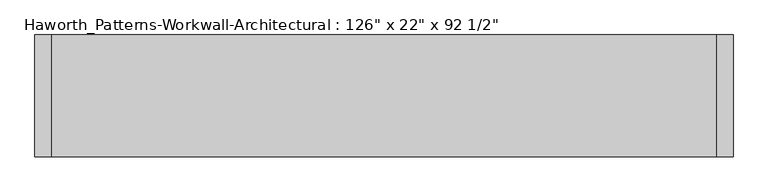
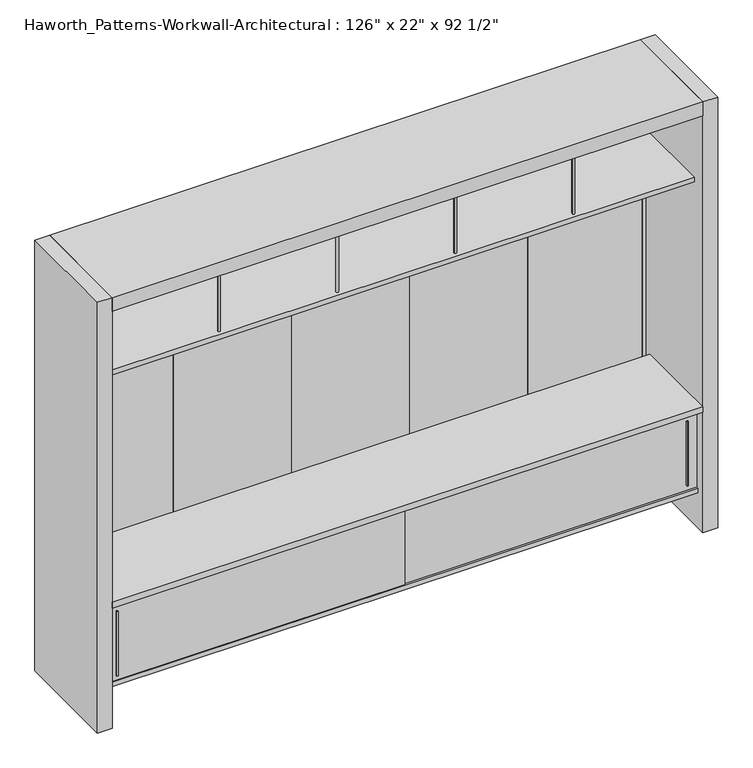
"""IFC4 building model written with IfcOpenShell, lengths in millimetres: furniture geometry."""

from ifc_helpers import new_model, si_unit, point, frame, frame_2d, origin, origin_with_axes, place, context, project, spatial, polyline, circle_curve, trimmed, segment, composite_curve, outline, extrude, source, transform, mapped, element, save


def furniture_2175a9dd(model_context):
    return source(origin(), model_context, "Body", "SweptSolid", [
        extrude(outline(polyline([(-914.4, 333.375), (-1524.0, 333.375), (-1524.0, 352.425), (-914.4, 352.425), (-914.4, 333.375)])), frame((0.0, 0.0, 635.0), z_axis=(0.0, 0.0, 1.0), x_axis=(1.0, 0.0, 0.0)), (0.0, 0.0, 1.0), 1638.3),
        extrude(outline(polyline([(-304.8, 333.375), (-914.4, 333.375), (-914.4, 352.425), (-304.8, 352.425), (-304.8, 333.375)])), frame((0.0, 0.0, 635.0), z_axis=(0.0, 0.0, 1.0), x_axis=(1.0, 0.0, 0.0)), (0.0, 0.0, 1.0), 1638.3),
        extrude(outline(polyline([(304.8, 333.375), (-304.8, 333.375), (-304.8, 352.425), (304.8, 352.425), (304.8, 333.375)])), frame((0.0, 0.0, 635.0), z_axis=(0.0, 0.0, 1.0), x_axis=(1.0, 0.0, 0.0)), (0.0, 0.0, 1.0), 1638.3),
        extrude(outline(polyline([(-1524.0, 333.375), (-2133.6, 333.375), (-2133.6, 352.425), (-1524.0, 352.425), (-1524.0, 333.375)])), frame((0.0, 0.0, 635.0), z_axis=(0.0, 0.0, 1.0), x_axis=(1.0, 0.0, 0.0)), (0.0, 0.0, 1.0), 1638.3),
        extrude(outline(polyline([(914.4, 333.375), (304.8, 333.375), (304.8, 352.425), (914.4, 352.425), (914.4, 333.375)])), frame((0.0, 0.0, 635.0), z_axis=(0.0, 0.0, 1.0), x_axis=(1.0, 0.0, 0.0)), (0.0, 0.0, 1.0), 1638.3),
        extrude(outline(polyline([(866.7750004, -130.1749879), (860.4249996, -130.1749879), (858.8375011, -117.475), (868.3624989, -117.475), (866.7750004, -130.1749879)])), frame((0.0, 0.0, 242.8875), z_axis=(0.0, 0.0, 1.0), x_axis=(1.0, 0.0, 0.0)), (0.0, 0.0, 1.0), 352.425),
        extrude(outline(polyline([(-2079.6249996, -136.5249879), (-2085.9750004, -136.5249879), (-2087.5624989, -123.825), (-2078.0375011, -123.825), (-2079.6249996, -136.5249879)])), frame((0.0, 0.0, 242.8875), z_axis=(0.0, 0.0, 1.0), x_axis=(1.0, 0.0, 0.0)), (0.0, 0.0, 1.0), 352.425),
        extrude(outline(polyline([(914.4, -101.6), (914.4, -133.35), (-2133.6, -133.35), (-2133.6, -101.6), (914.4, -101.6)])), frame((0.0, 0.0, 190.5), z_axis=(0.0, 0.0, 1.0), x_axis=(1.0, 0.0, 0.0)), (0.0, 0.0, 1.0), 25.4),
        extrude(outline(polyline([(914.4, -101.6), (914.4, -133.35), (-2133.6, -133.35), (-2133.6, -101.6), (914.4, -101.6)])), frame((0.0, 0.0, 622.3), z_axis=(0.0, 0.0, 1.0), x_axis=(1.0, 0.0, 0.0)), (0.0, 0.0, 1.0), 25.4),
        extrude(outline(polyline([(-2133.6, -123.825), (-596.9, -123.825), (-596.9, -130.175), (-2133.6, -130.175), (-2133.6, -123.825)])), frame((0.0, 0.0, 215.9), z_axis=(0.0, 0.0, 1.0), x_axis=(1.0, 0.0, 0.0)), (0.0, 0.0, 1.0), 406.4),
        extrude(outline(polyline([(-622.3, -117.475), (914.4, -117.475), (914.4, -123.825), (-622.3, -123.825), (-622.3, -117.475)])), frame((0.0, 0.0, 215.9), z_axis=(0.0, 0.0, 1.0), x_axis=(1.0, 0.0, 0.0)), (0.0, 0.0, 1.0), 406.4),
        extrude(outline(polyline([(-295.275, -101.6), (-314.325, -101.6), (-314.325, 330.2), (-295.275, 330.2), (-295.275, -101.6)])), frame((0.0, 0.0, 215.9), z_axis=(0.0, 0.0, 1.0), x_axis=(1.0, 0.0, 0.0)), (0.0, 0.0, 1.0), 406.4),
        extrude(outline(polyline([(-904.875, -101.6), (-923.925, -101.6), (-923.925, 330.2), (-904.875, 330.2), (-904.875, -101.6)])), frame((0.0, 0.0, 215.9), z_axis=(0.0, 0.0, 1.0), x_axis=(1.0, 0.0, 0.0)), (0.0, 0.0, 1.0), 406.4),
        extrude(outline(polyline([(314.325, -101.6), (295.275, -101.6), (295.275, 330.2), (314.325, 330.2), (314.325, -101.6)])), frame((0.0, 0.0, 215.9), z_axis=(0.0, 0.0, 1.0), x_axis=(1.0, 0.0, 0.0)), (0.0, 0.0, 1.0), 406.4),
        extrude(outline(polyline([(-1514.475, -101.6), (-1533.525, -101.6), (-1533.525, 330.2), (-1514.475, 330.2), (-1514.475, -101.6)])), frame((0.0, 0.0, 215.9), z_axis=(0.0, 0.0, 1.0), x_axis=(1.0, 0.0, 0.0)), (0.0, 0.0, 1.0), 406.4),
        extrude(outline(polyline([(914.4, 330.2), (914.4, -101.6), (-2133.6, -101.6), (-2133.6, 330.2), (914.4, 330.2)])), frame((0.0, 0.0, 622.3), z_axis=(0.0, 0.0, 1.0), x_axis=(1.0, 0.0, 0.0)), (0.0, 0.0, 1.0), 25.4),
        extrude(outline(polyline([(-101.6, 215.9), (330.2, 215.9), (330.2, 190.5), (123.825, 190.5), (123.825, 0.0), (104.775, 0.0), (104.775, 190.5), (-101.6, 190.5), (-101.6, 215.9)])), frame((-2133.6, 0.0, 0.0), z_axis=(1.0, 0.0, 0.0), x_axis=(0.0, 1.0, 0.0)), (0.0, 0.0, 1.0), 3048.0),
        extrude(outline(composite_curve([segment(trimmed(circle_curve(frame_2d((-304.8, -76.2)), 6.35), [point((-311.15, -76.2))], [point((-298.45, -76.2))], False, "CARTESIAN"), True, "CONTINUOUS"), segment(trimmed(circle_curve(frame_2d((-304.8, -76.2)), 6.35), [point((-298.45, -76.2))], [point((-311.15, -76.2))], False, "CARTESIAN"), True, "CONTINUOUS")], self_intersect=False)), frame((0.0, 0.0, 1892.3), z_axis=(0.0, 0.0, 1.0), x_axis=(1.0, 0.0, 0.0)), (0.0, 0.0, 1.0), 381.0),
        extrude(outline(composite_curve([segment(trimmed(circle_curve(frame_2d((-304.8, 304.8)), 6.35), [point((-311.15, 304.8))], [point((-298.45, 304.8))], False, "CARTESIAN"), True, "CONTINUOUS"), segment(trimmed(circle_curve(frame_2d((-304.8, 304.8)), 6.35), [point((-298.45, 304.8))], [point((-311.15, 304.8))], False, "CARTESIAN"), True, "CONTINUOUS")], self_intersect=False)), frame((0.0, 0.0, 1892.3), z_axis=(0.0, 0.0, 1.0), x_axis=(1.0, 0.0, 0.0)), (0.0, 0.0, 1.0), 381.0),
        extrude(outline(composite_curve([segment(trimmed(circle_curve(frame_2d((-914.4, -76.2)), 6.35), [point((-920.75, -76.2))], [point((-908.05, -76.2))], False, "CARTESIAN"), True, "CONTINUOUS"), segment(trimmed(circle_curve(frame_2d((-914.4, -76.2)), 6.35), [point((-908.05, -76.2))], [point((-920.75, -76.2))], False, "CARTESIAN"), True, "CONTINUOUS")], self_intersect=False)), frame((0.0, 0.0, 1892.3), z_axis=(0.0, 0.0, 1.0), x_axis=(1.0, 0.0, 0.0)), (0.0, 0.0, 1.0), 381.0),
        extrude(outline(composite_curve([segment(trimmed(circle_curve(frame_2d((-914.4, 304.8)), 6.35), [point((-920.75, 304.8))], [point((-908.05, 304.8))], False, "CARTESIAN"), True, "CONTINUOUS"), segment(trimmed(circle_curve(frame_2d((-914.4, 304.8)), 6.35), [point((-908.05, 304.8))], [point((-920.75, 304.8))], False, "CARTESIAN"), True, "CONTINUOUS")], self_intersect=False)), frame((0.0, 0.0, 1892.3), z_axis=(0.0, 0.0, 1.0), x_axis=(1.0, 0.0, 0.0)), (0.0, 0.0, 1.0), 381.0),
        extrude(outline(composite_curve([segment(trimmed(circle_curve(frame_2d((304.8, -76.2)), 6.35), [point((298.45, -76.2))], [point((311.15, -76.2))], False, "CARTESIAN"), True, "CONTINUOUS"), segment(trimmed(circle_curve(frame_2d((304.8, -76.2)), 6.35), [point((311.15, -76.2))], [point((298.45, -76.2))], False, "CARTESIAN"), True, "CONTINUOUS")], self_intersect=False)), frame((0.0, 0.0, 1892.3), z_axis=(0.0, 0.0, 1.0), x_axis=(1.0, 0.0, 0.0)), (0.0, 0.0, 1.0), 381.0),
        extrude(outline(composite_curve([segment(trimmed(circle_curve(frame_2d((304.8, 304.8)), 6.35), [point((298.45, 304.8))], [point((311.15, 304.8))], False, "CARTESIAN"), True, "CONTINUOUS"), segment(trimmed(circle_curve(frame_2d((304.8, 304.8)), 6.35), [point((311.15, 304.8))], [point((298.45, 304.8))], False, "CARTESIAN"), True, "CONTINUOUS")], self_intersect=False)), frame((0.0, 0.0, 1892.3), z_axis=(0.0, 0.0, 1.0), x_axis=(1.0, 0.0, 0.0)), (0.0, 0.0, 1.0), 381.0),
        extrude(outline(composite_curve([segment(trimmed(circle_curve(frame_2d((-1524.0, -76.2)), 6.35), [point((-1530.35, -76.2))], [point((-1517.65, -76.2))], False, "CARTESIAN"), True, "CONTINUOUS"), segment(trimmed(circle_curve(frame_2d((-1524.0, -76.2)), 6.35), [point((-1517.65, -76.2))], [point((-1530.35, -76.2))], False, "CARTESIAN"), True, "CONTINUOUS")], self_intersect=False)), frame((0.0, 0.0, 1892.3), z_axis=(0.0, 0.0, 1.0), x_axis=(1.0, 0.0, 0.0)), (0.0, 0.0, 1.0), 381.0),
        extrude(outline(composite_curve([segment(trimmed(circle_curve(frame_2d((-1524.0, 304.8)), 6.35), [point((-1530.35, 304.8))], [point((-1517.65, 304.8))], False, "CARTESIAN"), True, "CONTINUOUS"), segment(trimmed(circle_curve(frame_2d((-1524.0, 304.8)), 6.35), [point((-1517.65, 304.8))], [point((-1530.35, 304.8))], False, "CARTESIAN"), True, "CONTINUOUS")], self_intersect=False)), frame((0.0, 0.0, 1892.3), z_axis=(0.0, 0.0, 1.0), x_axis=(1.0, 0.0, 0.0)), (0.0, 0.0, 1.0), 381.0),
        extrude(outline(polyline([(914.4, 330.2), (914.4, -101.6), (-2133.6, -101.6), (-2133.6, 330.2), (914.4, 330.2)])), frame((0.0, 0.0, 1866.9), z_axis=(0.0, 0.0, 1.0), x_axis=(1.0, 0.0, 0.0)), (0.0, 0.0, 1.0), 25.4),
        extrude(outline(polyline([(2273.3, 914.4), (2273.3, -2133.6), (635.0, -2133.6), (635.0, 914.4), (2273.3, 914.4)]), holes=[polyline([(2254.25, 895.35), (654.05, 895.35), (654.05, -2114.55), (2254.25, -2114.55), (2254.25, 895.35)])]), frame((0.0, 330.2, 0.0), z_axis=(0.0, 1.0, 0.0), x_axis=(0.0, 0.0, 1.0)), (0.0, 0.0, 1.0), 25.4),
        extrude(outline(polyline([(895.35, 330.2), (-2114.55, 330.2), (-2114.55, 355.6), (895.35, 355.6), (895.35, 330.2)])), frame((0.0, 0.0, 114.3), z_axis=(0.0, 0.0, 1.0), x_axis=(1.0, 0.0, 0.0)), (0.0, 0.0, 1.0), 495.3),
        extrude(outline(polyline([(-2133.6, 295.275), (914.4, 295.275), (914.4, -177.8), (-2133.6, -177.8), (-2133.6, 295.275)])), frame((0.0, 0.0, 655.6375), z_axis=(0.0, 0.0, 1.0), x_axis=(1.0, 0.0, 0.0)), (0.0, 0.0, 1.0), 30.1625),
        extrude(outline(polyline([(635.0, 914.4), (635.0, -2133.6), (0.0, -2133.6), (0.0, 914.4), (635.0, 914.4)]), holes=[polyline([(609.6, 895.35), (114.3, 895.35), (114.3, -2114.55), (609.6, -2114.55), (609.6, 895.35)])]), frame((0.0, 330.2, 0.0), z_axis=(0.0, 1.0, 0.0), x_axis=(0.0, 0.0, 1.0)), (0.0, 0.0, 1.0), 25.4),
        extrude(outline(polyline([(914.4, -177.8), (-2133.6, -177.8), (-2133.6, 381.0), (914.4, 381.0), (914.4, -177.8)])), frame((0.0, 0.0, 2273.3), z_axis=(0.0, 0.0, 1.0), x_axis=(1.0, 0.0, 0.0)), (0.0, 0.0, 1.0), 76.2),
        extrude(outline(polyline([(990.6, 381.0), (990.6, -177.8), (914.4, -177.8), (914.4, 381.0), (990.6, 381.0)])), origin_with_axes(), (0.0, 0.0, 1.0), 2349.5),
        extrude(outline(polyline([(-2133.6, 381.0), (-2133.6, -177.8), (-2209.8, -177.8), (-2209.8, 381.0), (-2133.6, 381.0)])), origin_with_axes(), (0.0, 0.0, 1.0), 2349.5),
    ])


if __name__ == "__main__":
    model = new_model("IFC4")
    model_context = context("Model", 3, world=origin())
    ifc_project = project(units=[si_unit("LENGTHUNIT", "METRE", prefix="MILLI")], contexts=[model_context])
    site = spatial("IfcSite", under=ifc_project)
    building = spatial("IfcBuilding", under=site)
    placement = place(None, origin())
    furniture_shape = furniture_2175a9dd(model_context)
    element("IfcFurniture", 1, ObjectType="Haworth_Patterns-Workwall-Architectural : 126\" x 22\" x 92 1/2\"", at=placement, inside=building, context=model_context, shape_type="MappedRepresentation", body=[
        mapped(furniture_shape, transform((0.0, 0.0, 0.0), x_axis=(1.0, 0.0, 0.0), y_axis=(0.0, 1.0, 0.0), z_axis=(0.0, 0.0, 1.0))),
    ])
    save(model, "model.ifc")
